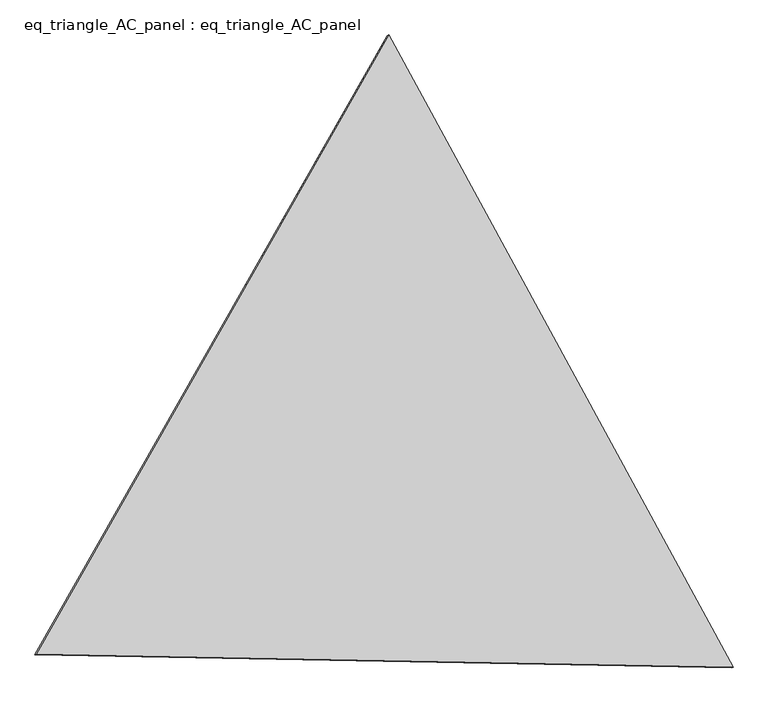
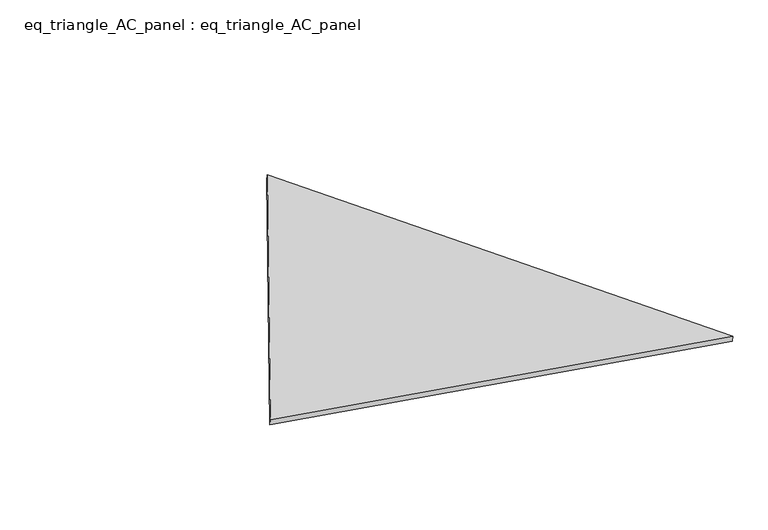
"""IFC4 building model written with IfcOpenShell, lengths in millimetres: proxy geometry, eq_triangle_AC_panel : eq_triangle_AC_panel."""

from ifc_helpers import new_model, si_unit, frame, origin, place, context, project, spatial, polyline, outline, extrude, source, transform, mapped, element, save


def eq_triangle_ac_panel_eq_triangle_ac_panel_4eb33727(model_context):
    return source(origin(), model_context, "Body", "SweptSolid", [
        extrude(outline(polyline([(-2091.2888773, 1173.1625895), (2032.8034643, 1173.1625895), (58.4854128, -2346.3251791), (-2091.2888773, 1173.1625895)])), frame((0.0038051, 527.9290861, 89.8240019), z_axis=(0.14526328518055653, 0.08386570281802233, 0.9858321976225931), x_axis=(0.47857311553748805, -0.8780377685241668, 0.004177335256353895)), (0.0, 0.0, 1.0), 43.8306294),
    ])


if __name__ == "__main__":
    model = new_model("IFC4")
    model_context = context("Model", 3, world=origin())
    ifc_project = project(units=[si_unit("LENGTHUNIT", "METRE", prefix="MILLI")], contexts=[model_context])
    site = spatial("IfcSite", under=ifc_project)
    building = spatial("IfcBuilding", under=site)
    placement = place(None, origin())
    eq_triangle_ac_panel_eq_triangle_ac_panel_shape = eq_triangle_ac_panel_eq_triangle_ac_panel_4eb33727(model_context)
    element("IfcBuildingElementProxy", 1, Name="eq_triangle_AC_panel : eq_triangle_AC_panel", ObjectType="eq_triangle_AC_panel : eq_triangle_AC_panel", at=placement, inside=building, context=model_context, shape_type="MappedRepresentation", body=[
        mapped(eq_triangle_ac_panel_eq_triangle_ac_panel_shape, transform((0.0, 0.0, 0.0), x_axis=(1.0, 0.0, 0.0), y_axis=(0.0, 1.0, 0.0), z_axis=(0.0, 0.0, 1.0))),
    ])
    save(model, "model.ifc")
